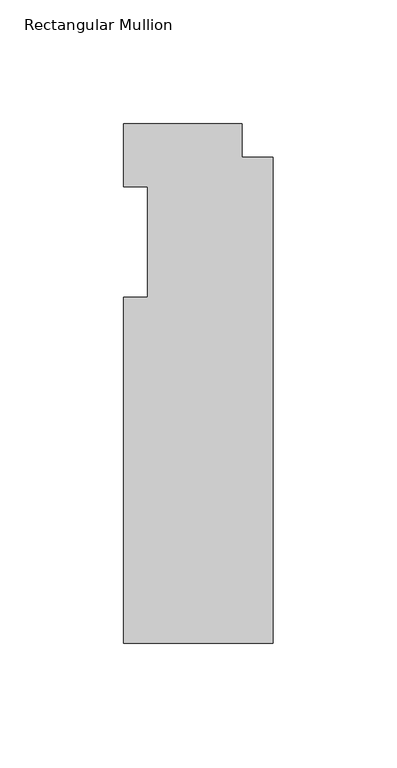
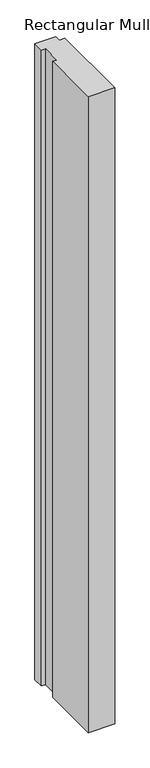
"""IFC4 building model written with IfcOpenShell, lengths in millimetres: member geometry, Rectangular Mullion."""

from ifc_helpers import new_model, si_unit, frame, origin, place, context, project, spatial, polyline, outline, extrude, source, transform, mapped, element, save


def rectangular_mullion_2aa78830(model_context):
    return source(origin(), model_context, "Body", "SweptSolid", [
        extrude(outline(polyline([(-60.325, -22.225), (-50.8, -22.225), (-50.8, 22.225), (-60.325, 22.225), (-60.325, 47.625), (-12.7, 47.625), (-12.7, 34.13125), (0.0, 34.13125), (0.0, -161.925), (-60.325, -161.925), (-60.325, -22.225)])), frame((0.0, 0.0, -1524.0), z_axis=(0.0, 0.0, 1.0), x_axis=(1.0, 0.0, 0.0)), (0.0, 0.0, 1.0), 1524.0),
    ])


if __name__ == "__main__":
    model = new_model("IFC4")
    model_context = context("Model", 3, world=origin())
    ifc_project = project(units=[si_unit("LENGTHUNIT", "METRE", prefix="MILLI")], contexts=[model_context])
    site = spatial("IfcSite", under=ifc_project)
    building = spatial("IfcBuilding", under=site)
    placement = place(None, origin())
    rectangular_mullion_shape = rectangular_mullion_2aa78830(model_context)
    element("IfcMember", 1, ObjectType="Rectangular Mullion", at=placement, inside=building, context=model_context, shape_type="MappedRepresentation", body=[
        mapped(rectangular_mullion_shape, transform((0.0, 0.0, 0.0), x_axis=(1.0, 0.0, 0.0), y_axis=(0.0, 1.0, 0.0), z_axis=(0.0, 0.0, 1.0))),
    ])
    save(model, "model.ifc")
